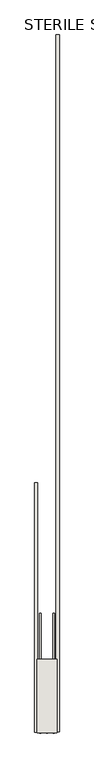
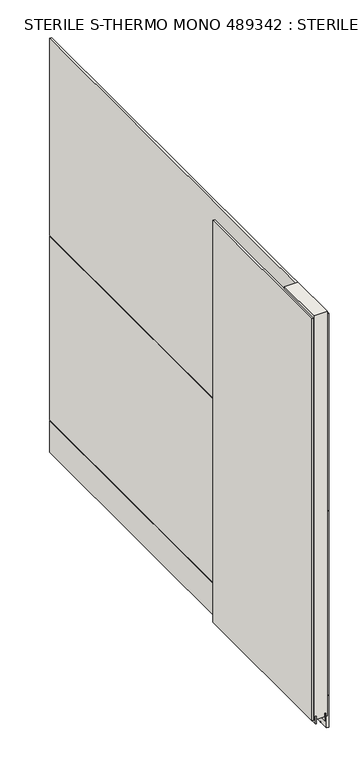
"""IFC4 building model written with IfcOpenShell, lengths in millimetres: wall geometry, STERILE S-THERMO MONO 489342 : STERILE S-THERMO MONO 489342."""

from ifc_helpers import new_model, si_unit, frame, origin, place, context, project, spatial, polyline, outline, extrude, source, transform, mapped, element, save


def sterile_s_thermo_mono_489342_sterile_s_thermo_mono_489342_b90027d9(model_context):
    return source(origin(), model_context, "Body", "SweptSolid", [
        extrude(outline(polyline([(59186.482211, -47954.7299476), (59186.482211, -47957.2699476), (59183.942211, -47957.2699476), (59183.942211, -47954.7299476), (59186.482211, -47954.7299476)])), frame((0.0, 0.0, 4419.6), z_axis=(0.0, 0.0, 1.0), x_axis=(1.0, 0.0, 0.0)), (0.0, 0.0, 1.0), 2.54),
        extrude(outline(polyline([(59134.412211, -47955.2688848), (59134.412211, -46925.4885212), (59147.112211, -46925.4885212), (59147.112211, -47955.2688848), (59134.412211, -47955.2688848)])), frame((0.0, 0.0, 4445.0), z_axis=(0.0, 0.0, 1.0), x_axis=(1.0, 0.0, 0.0)), (0.0, 0.0, 1.0), 2545.0498756),
        extrude(outline(polyline([(59236.012211, -45077.2139094), (59236.012211, -47952.8037894), (59223.312211, -47952.8037894), (59223.312211, -45077.2139094), (59236.012211, -45077.2139094)])), frame((0.0, 0.0, 4573.9999706), z_axis=(0.0, 0.0, 1.0), x_axis=(1.0, 0.0, 0.0)), (0.0, 0.0, 1.0), 1164.400008),
        extrude(outline(polyline([(59236.012211, -45077.2139094), (59236.012211, -47952.8037894), (59223.312211, -47952.8037894), (59223.312211, -45077.2139094), (59236.012211, -45077.2139094)])), frame((0.0, 0.0, 4368.1000014), z_axis=(0.0, 0.0, 1.0), x_axis=(1.0, 0.0, 0.0)), (0.0, 0.0, 1.0), 201.9000026),
        extrude(outline(polyline([(59236.012211, -45077.2139094), (59236.012211, -47952.8037894), (59223.312211, -47952.8037894), (59223.312211, -45077.2139094), (59236.012211, -45077.2139094)])), frame((0.0, 0.0, 5742.399869), z_axis=(0.0, 0.0, 1.0), x_axis=(1.0, 0.0, 0.0)), (0.0, 0.0, 1.0), 1247.649905),
        extrude(outline(polyline([(59160.1284664, -47461.958797), (59160.1284664, -47957.258797), (59155.049711, -47957.258797), (59155.049711, -47461.958797), (59160.1284664, -47461.958797)])), frame((0.0, 0.0, 4418.6602), z_axis=(0.0, 0.0, 1.0), x_axis=(1.0, 0.0, 0.0)), (0.0, 0.0, 1.0), 47.625),
        extrude(outline(polyline([(59160.1284664, -47461.958797), (59160.1284664, -47957.258797), (59155.049711, -47957.258797), (59155.049711, -47461.958797), (59160.1284664, -47461.958797)])), frame((0.0, 0.0, 4418.6602), z_axis=(0.0, 0.0, 1.0), x_axis=(1.0, 0.0, 0.0)), (0.0, 0.0, 1.0), 47.625),
        extrude(outline(polyline([(59210.2959556, -47957.258797), (59210.2959556, -47461.958797), (59215.374711, -47461.958797), (59215.374711, -47957.258797), (59210.2959556, -47957.258797)])), frame((0.0, 0.0, 4418.6602), z_axis=(0.0, 0.0, 1.0), x_axis=(1.0, 0.0, 0.0)), (0.0, 0.0, 1.0), 47.625),
        extrude(outline(polyline([(59210.2959556, -47957.258797), (59210.2959556, -47461.958797), (59215.374711, -47461.958797), (59215.374711, -47957.258797), (59210.2959556, -47957.258797)])), frame((0.0, 0.0, 4418.6602), z_axis=(0.0, 0.0, 1.0), x_axis=(1.0, 0.0, 0.0)), (0.0, 0.0, 1.0), 47.625),
        extrude(outline(polyline([(59144.5573266, -47652.458797), (59225.8670954, -47652.458797), (59225.8670954, -47957.258797), (59144.5573266, -47957.258797), (59144.5573266, -47652.458797)])), frame((0.0, 0.0, 4445.0), z_axis=(0.0, 0.0, 1.0), x_axis=(1.0, 0.0, 0.0)), (0.0, 0.0, 1.0), 2562.4536762),
    ])


if __name__ == "__main__":
    model = new_model("IFC4")
    model_context = context("Model", 3, world=origin())
    ifc_project = project(units=[si_unit("LENGTHUNIT", "METRE", prefix="MILLI")], contexts=[model_context])
    site = spatial("IfcSite", under=ifc_project)
    building = spatial("IfcBuilding", under=site)
    placement = place(None, origin())
    sterile_s_thermo_mono_489342_sterile_s_thermo_mono_489342_shape = sterile_s_thermo_mono_489342_sterile_s_thermo_mono_489342_b90027d9(model_context)
    element("IfcWall", 1, ObjectType="STERILE S-THERMO MONO 489342 : STERILE S-THERMO MONO 489342", at=placement, inside=building, context=model_context, shape_type="MappedRepresentation", body=[
        mapped(sterile_s_thermo_mono_489342_sterile_s_thermo_mono_489342_shape, transform((0.0, 0.0, 0.0), x_axis=(1.0, 0.0, 0.0), y_axis=(0.0, 1.0, 0.0), z_axis=(0.0, 0.0, 1.0))),
    ])
    save(model, "model.ifc")
